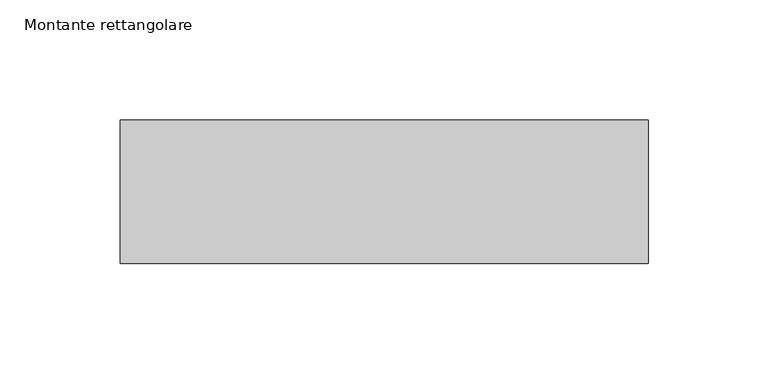
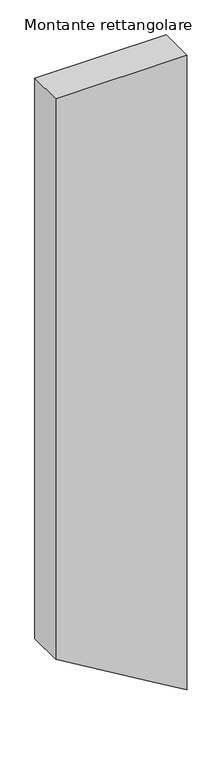
"""IFC4 building model written with IfcOpenShell, lengths in millimetres: member geometry, Montante rettangolare."""

from ifc_helpers import new_model, si_unit, frame, origin, place, context, project, spatial, polyline, outline, extrude, source, transform, mapped, element, save


def montante_rettangolare_5e3fdbb6(model_context):
    return source(origin(), model_context, "Body", "SweptSolid", [
        extrude(outline(polyline([(0.0, 110.0), (0.0, -110.0), (-993.0081102, -110.0), (-1088.6351508, 51.0542918), (-1123.6345511, 110.0), (0.0, 110.0)])), frame((0.0, -30.0, 0.0), z_axis=(0.0, 1.0, 0.0), x_axis=(0.0, 0.0, 1.0)), (0.0, 0.0, 1.0), 60.0),
    ])


if __name__ == "__main__":
    model = new_model("IFC4")
    model_context = context("Model", 3, world=origin())
    ifc_project = project(units=[si_unit("LENGTHUNIT", "METRE", prefix="MILLI")], contexts=[model_context])
    site = spatial("IfcSite", under=ifc_project)
    building = spatial("IfcBuilding", under=site)
    placement = place(None, origin())
    montante_rettangolare_shape = montante_rettangolare_5e3fdbb6(model_context)
    element("IfcMember", 1, ObjectType="Montante rettangolare", at=placement, inside=building, context=model_context, shape_type="MappedRepresentation", body=[
        mapped(montante_rettangolare_shape, transform((0.0, 0.0, 0.0), x_axis=(1.0, 0.0, 0.0), y_axis=(0.0, 1.0, 0.0), z_axis=(0.0, 0.0, 1.0))),
    ])
    save(model, "model.ifc")
